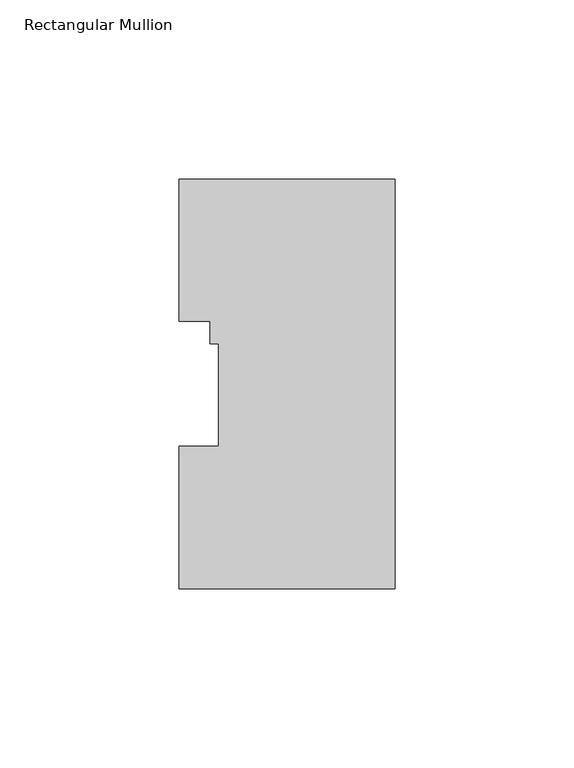
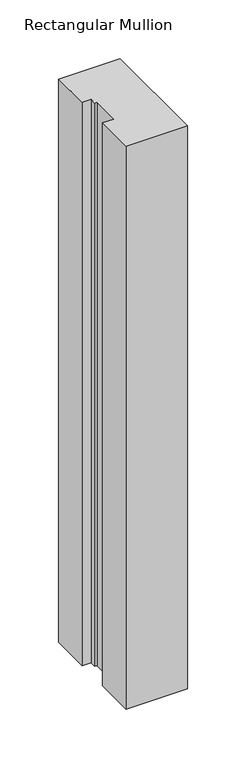
"""IFC4 building model written with IfcOpenShell, lengths in millimetres: member geometry, Rectangular Mullion."""

from ifc_helpers import new_model, si_unit, frame, origin, place, context, project, spatial, polyline, outline, extrude, source, transform, mapped, element, save


def rectangular_mullion_f110afd4(model_context):
    return source(origin(), model_context, "Body", "SweptSolid", [
        extrude(outline(polyline([(0.0, 114.271425), (0.0, -0.028575), (-60.325, -0.028575), (-60.325, 39.646225), (-49.2125, 39.646225), (-49.2125, 68.246625), (-51.5874, 68.246625), (-51.5874, 74.596625), (-60.325, 74.596625), (-60.325, 114.271425), (0.0, 114.271425)])), frame((0.0, 0.0, -584.2), z_axis=(0.0, 0.0, 1.0), x_axis=(1.0, 0.0, 0.0)), (0.0, 0.0, 1.0), 584.2),
    ])


if __name__ == "__main__":
    model = new_model("IFC4")
    model_context = context("Model", 3, world=origin())
    ifc_project = project(units=[si_unit("LENGTHUNIT", "METRE", prefix="MILLI")], contexts=[model_context])
    site = spatial("IfcSite", under=ifc_project)
    building = spatial("IfcBuilding", under=site)
    placement = place(None, origin())
    rectangular_mullion_shape = rectangular_mullion_f110afd4(model_context)
    element("IfcMember", 1, ObjectType="Rectangular Mullion", at=placement, inside=building, context=model_context, shape_type="MappedRepresentation", body=[
        mapped(rectangular_mullion_shape, transform((0.0, 0.0, 0.0), x_axis=(1.0, 0.0, 0.0), y_axis=(0.0, 1.0, 0.0), z_axis=(0.0, 0.0, 1.0))),
    ])
    save(model, "model.ifc")
